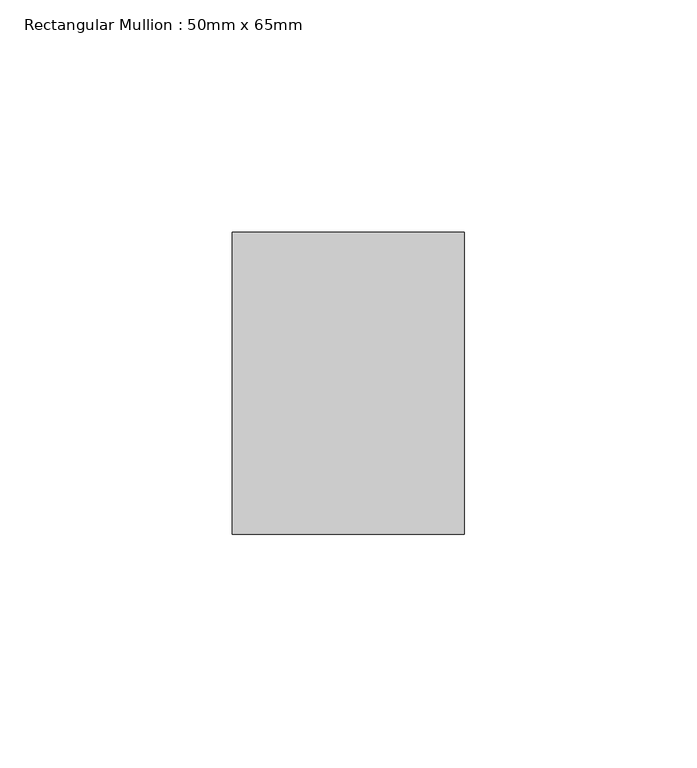
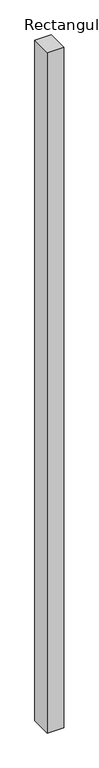
"""IFC4 building model written with IfcOpenShell, lengths in millimetres: member geometry, Rectangular Mullion : 50mm x 65mm."""

import ifcopenshell
import ifcopenshell.guid

model = None  # the IFC model being written
_history = None  # IfcOwnerHistory: only IFC2X3 demands one
_inside = {}  # id of a spatial element -> (the spatial element, [elements in it])
_under = {}  # id of a project, library or spatial element -> (it, [spatial elements below it])
_declared = {}  # id of a project -> (the project, [libraries it declares])
_typed = {}  # id of a type object -> (the type object, [elements of that type])
_made_of = {}  # id of a material, layer set ... -> (it, [elements and type objects made of it])


def new_model(schema):
    """Start an empty IFC model of exactly this schema.

    Asked for "IFC4X3", IfcOpenShell would pick the latest addendum, in which some entities
    have other attributes; the version numbers below select the first issue.
    IFC2X3 requires an IfcOwnerHistory on every rooted entity: one is made here for all.
    """
    global model, _history
    if schema == "IFC4X3":
        model = ifcopenshell.file(schema_version=(4, 3, 0, 0))
    else:
        model = ifcopenshell.file(schema=schema)
    _inside.clear()
    _under.clear()
    _declared.clear()
    _typed.clear()
    _made_of.clear()
    _history = None
    if model.schema == "IFC2X3":
        org = make("IfcOrganization", Name="unknown")
        user = make(
            "IfcPersonAndOrganization",
            ThePerson=make("IfcPerson", FamilyName="unknown"),
            TheOrganization=org,
        )
        app = make(
            "IfcApplication",
            ApplicationDeveloper=org,
            Version="unknown",
            ApplicationFullName="unknown",
            ApplicationIdentifier="unknown",
        )
        _history = make(
            "IfcOwnerHistory",
            OwningUser=user,
            OwningApplication=app,
            ChangeAction="ADDED",
            CreationDate=0,
        )
    return model


def make(cls, **values):
    """One entity of the class cls with the attributes given. An attribute that is None is left unset."""
    return model.create_entity(
        cls, **{name: value for name, value in values.items() if value is not None}
    )


def rooted(cls, **values):
    """An entity with a GlobalId (a new one), such as an element, a storey or a relation."""
    return make(cls, GlobalId=ifcopenshell.guid.new(), OwnerHistory=_history, **values)


def si_unit(unit_type, name, prefix=None):
    """IfcSIUnit, for example si_unit("LENGTHUNIT", "METRE", prefix="MILLI")."""
    return make("IfcSIUnit", UnitType=unit_type, Prefix=prefix, Name=name)


def assignment(units):
    """IfcUnitAssignment: the units of a project."""
    return None if units is None else make("IfcUnitAssignment", Units=units)


def point(xyz):
    """IfcCartesianPoint."""
    return None if xyz is None else make("IfcCartesianPoint", Coordinates=xyz)


def direction(xyz):
    """IfcDirection."""
    return None if xyz is None else make("IfcDirection", DirectionRatios=xyz)


def frame(location, z_axis=None, x_axis=None):
    """IfcAxis2Placement3D, a coordinate frame: its origin and axes. An axis left out is left unset."""
    return make(
        "IfcAxis2Placement3D",
        Location=point(location),
        Axis=direction(z_axis),
        RefDirection=direction(x_axis),
    )


def origin():
    """The frame at (0, 0, 0) with its axes left unset."""
    return frame((0.0, 0.0, 0.0))


def place(relative_to, where):
    """IfcLocalPlacement: puts the frame where relative to a parent placement (None: the world)."""
    return make(
        "IfcLocalPlacement", PlacementRelTo=relative_to, RelativePlacement=where
    )


def context(
    kind, dimensions, precision=None, world=None, true_north=None, identifier=None
):
    """IfcGeometricRepresentationContext, for example the 3D "Model" context."""
    return make(
        "IfcGeometricRepresentationContext",
        ContextIdentifier=identifier,
        ContextType=kind,
        CoordinateSpaceDimension=dimensions,
        Precision=precision,
        WorldCoordinateSystem=world,
        TrueNorth=true_north,
    )


def project(units=None, contexts=None):
    """IfcProject with its units and contexts."""
    return rooted(
        "IfcProject",
        Name="project",
        RepresentationContexts=contexts,
        UnitsInContext=assignment(units),
    )


def spatial(cls, under=None, at=None, **own):
    """A site, building, storey or space (cls), placed at a placement, below another one or the project."""
    s = rooted(cls, ObjectPlacement=at, **own)
    if under is not None:
        _under.setdefault(under.id(), (under, []))[1].append(s)
    return s


def polyline(points):
    """IfcPolyline through the points."""
    return make("IfcPolyline", Points=[point(p) for p in points])


def outline(outer, holes=None, kind="AREA"):
    """IfcArbitraryClosedProfileDef: a profile drawn as a closed curve; with holes, ...WithVoids."""
    if holes is None:
        return make("IfcArbitraryClosedProfileDef", ProfileType=kind, OuterCurve=outer)
    return make(
        "IfcArbitraryProfileDefWithVoids",
        ProfileType=kind,
        OuterCurve=outer,
        InnerCurves=holes,
    )


def extrude(swept, where, along, depth):
    """IfcExtrudedAreaSolid: the profile swept, set in the frame where, extruded along a direction by depth."""
    return make(
        "IfcExtrudedAreaSolid",
        SweptArea=swept,
        Position=where,
        ExtrudedDirection=direction(along),
        Depth=depth,
    )


def shape(context_of_items, identifier, shape_type, items):
    """IfcShapeRepresentation: the items that make up one representation, for example the "Body"."""
    return make(
        "IfcShapeRepresentation",
        ContextOfItems=context_of_items,
        RepresentationIdentifier=identifier,
        RepresentationType=shape_type,
        Items=items,
    )


def source(mapping_origin, context_of_items, identifier, shape_type, items):
    """IfcRepresentationMap: a shape defined once, which mapped items show again and again."""
    return make(
        "IfcRepresentationMap",
        MappingOrigin=mapping_origin,
        MappedRepresentation=shape(context_of_items, identifier, shape_type, items),
    )


def transform(
    local_origin,
    x_axis=None,
    y_axis=None,
    z_axis=None,
    scale=None,
    scale2=None,
    scale3=None,
    uniform=True,
):
    """IfcCartesianTransformationOperator3D, or its non-uniform kind. x_axis, y_axis, z_axis: its Axis1, 2, 3."""
    if uniform:
        return make(
            "IfcCartesianTransformationOperator3D",
            Axis1=direction(x_axis),
            Axis2=direction(y_axis),
            LocalOrigin=point(local_origin),
            Scale=scale,
            Axis3=direction(z_axis),
        )
    return make(
        "IfcCartesianTransformationOperator3DnonUniform",
        Axis1=direction(x_axis),
        Axis2=direction(y_axis),
        LocalOrigin=point(local_origin),
        Scale=scale,
        Axis3=direction(z_axis),
        Scale2=scale2,
        Scale3=scale3,
    )


def mapped(mapping_source, mapping_target):
    """IfcMappedItem: shows the shape of a source again, moved by a transform."""
    return make(
        "IfcMappedItem", MappingSource=mapping_source, MappingTarget=mapping_target
    )


def made_of(thing, what):
    """Note that an element or type object is made of a material, layer set ...; save() writes the relation."""
    if what is not None:
        _made_of.setdefault(what.id(), (what, []))[1].append(thing)
    return thing


def element(
    cls,
    number,
    at=None,
    inside=None,
    cuts=None,
    type_object=None,
    material=None,
    context=None,
    identifier="Body",
    shape_type=None,
    held_by="IfcProductDefinitionShape",
    body=None,
    shapes=None,
    **own,
):
    """One element of the class cls, such as IfcWall. Its Tag is "e" and its number.

    at: its placement. inside: the storey or other place that contains it. cuts: it is an
    opening in that element (IfcRelVoidsElement). A single representation is given by context,
    identifier, shape_type and body (its items); several are given by shapes. held_by: the class
    of the entity that holds the representations. save() writes the other relations.
    """
    e = rooted(cls, Tag="e%d" % number, ObjectPlacement=at, **own)
    if body is not None:
        shapes = [shape(context, identifier, shape_type, body)]
    if shapes is not None:
        e.Representation = make(held_by, Representations=shapes)
    if inside is not None:
        _inside.setdefault(inside.id(), (inside, []))[1].append(e)
    if cuts is not None:
        rooted(
            "IfcRelVoidsElement", RelatingBuildingElement=cuts, RelatedOpeningElement=e
        )
    if type_object is not None:
        _typed.setdefault(type_object.id(), (type_object, []))[1].append(e)
    return made_of(e, material)


def aggregate(whole, parts):
    """IfcRelAggregates: a whole, such as a stair, and the parts it consists of."""
    return rooted("IfcRelAggregates", RelatingObject=whole, RelatedObjects=parts)


def save(model, path):
    """Write the relations noted so far, then the file.

    IfcRelAggregates (storeys below a building ...), IfcRelContainedInSpatialStructure (elements
    in a storey), IfcRelDefinesByType, IfcRelAssociatesMaterial and IfcRelDeclares: one each for
    every whole, place, type object, material and project.
    """
    for whole, parts in _under.values():
        aggregate(whole, parts)
    for where, things in _inside.values():
        rooted(
            "IfcRelContainedInSpatialStructure",
            RelatedElements=things,
            RelatingStructure=where,
        )
    for kind, things in _typed.values():
        rooted("IfcRelDefinesByType", RelatedObjects=things, RelatingType=kind)
    for what, things in _made_of.values():
        rooted("IfcRelAssociatesMaterial", RelatedObjects=things, RelatingMaterial=what)
    for by, libraries in _declared.values():
        rooted("IfcRelDeclares", RelatingContext=by, RelatedDefinitions=libraries)
    model.write(path)


def rectangular_mullion_50mm_x_65mm_806ab874(model_context):
    return source(origin(), model_context, "Body", "SweptSolid", [
        extrude(outline(polyline([(25.0, 32.5), (25.0, -32.5), (-25.0, -32.5), (-25.0, 32.5), (25.0, 32.5)])), frame((0.0, 0.0, -2186.9742163), z_axis=(0.0, 0.0, 1.0), x_axis=(1.0, 0.0, 0.0)), (0.0, 0.0, 1.0), 2186.9742163),
    ])


if __name__ == "__main__":
    model = new_model("IFC4")
    model_context = context("Model", 3, world=origin())
    ifc_project = project(units=[si_unit("LENGTHUNIT", "METRE", prefix="MILLI")], contexts=[model_context])
    site = spatial("IfcSite", under=ifc_project)
    building = spatial("IfcBuilding", under=site)
    placement = place(None, origin())
    rectangular_mullion_50mm_x_65mm_shape = rectangular_mullion_50mm_x_65mm_806ab874(model_context)
    element("IfcMember", 1, ObjectType="Rectangular Mullion : 50mm x 65mm", at=placement, inside=building, context=model_context, shape_type="MappedRepresentation", body=[
        mapped(rectangular_mullion_50mm_x_65mm_shape, transform((0.0, 0.0, 0.0), x_axis=(1.0, 0.0, 0.0), y_axis=(0.0, 1.0, 0.0), z_axis=(0.0, 0.0, 1.0))),
    ])
    save(model, "model.ifc")
